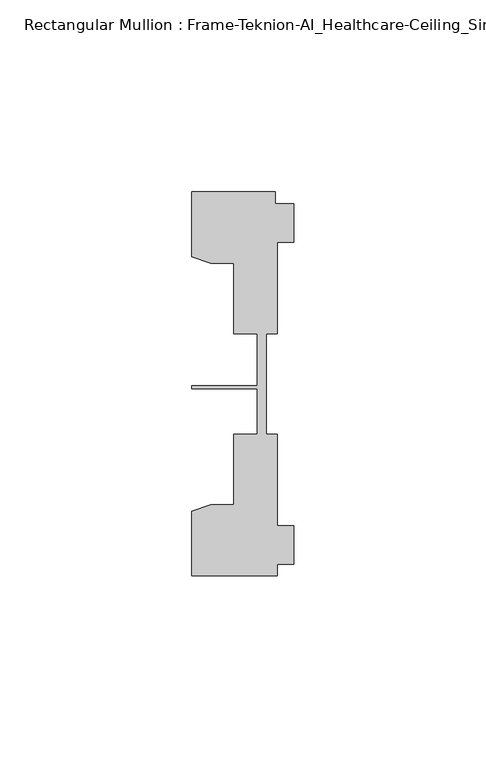
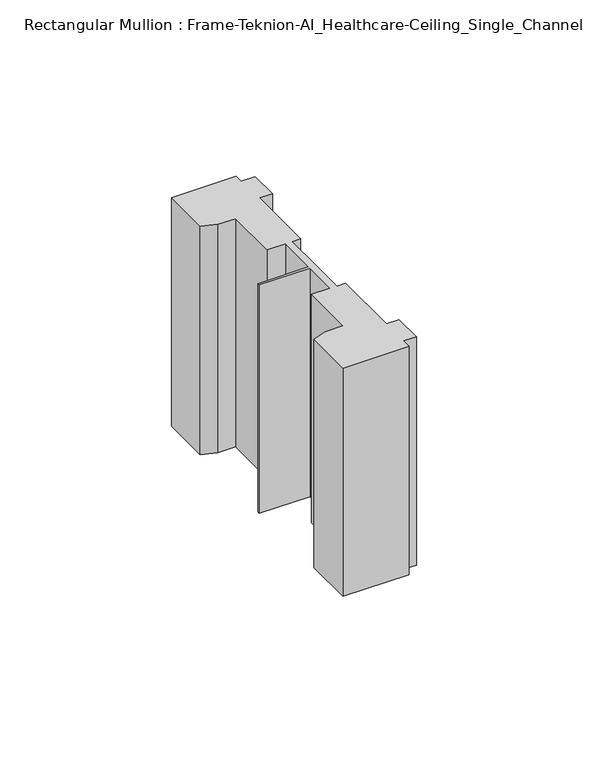
"""IFC4 building model written with IfcOpenShell, lengths in millimetres: member geometry, Rectangular Mullion : Frame-Teknion-AI_Healthcare-Ceiling_Single_Channel."""

from ifc_helpers import new_model, si_unit, frame, origin, place, context, project, spatial, polyline, outline, extrude, source, transform, mapped, element, save


def rectangular_mullion_frame_teknion_ai_healthcare_ceiling_d18603eb(model_context):
    return source(origin(), model_context, "Body", "SweptSolid", [
        extrude(outline(polyline([(-26.4921999, 34.0201677), (-26.4921999, 50.8315128), (-4.7752002, 50.8315128), (-4.7752002, 47.782071), (0.0, 47.782071), (0.0, 37.7820716), (-4.2672007, 37.7820716), (-4.2672007, 13.9110722), (-7.1647766, 13.9110722), (-7.1647766, 0.0814804), (-7.1647766, -12.2509301), (-4.2672007, -12.2509301), (-4.2672007, -36.1219249), (0.0, -36.1219249), (0.0, -46.1219322), (-4.2672007, -46.1219322), (-4.2672007, -49.1699293), (-26.4921999, -49.1699293), (-26.4921999, -32.3600207), (-21.6625199, -30.6279561), (-15.6737764, -30.6279561), (-15.6737764, -12.2509301), (-9.4507761, -12.2509301), (-9.4507761, -0.4036528), (-26.4921999, -0.4036528), (-26.4921999, 0.4036528), (-9.4507761, 0.4036528), (-9.4507761, 13.9110722), (-15.6737764, 13.9110722), (-15.6737764, 32.2880982), (-21.6625199, 32.2880982), (-26.4921999, 34.0201677)])), frame((0.0, 0.0, -81.2686181), z_axis=(0.0, 0.0, 1.0), x_axis=(1.0, 0.0, 0.0)), (0.0, 0.0, 1.0), 81.2686181),
    ])


if __name__ == "__main__":
    model = new_model("IFC4")
    model_context = context("Model", 3, world=origin())
    ifc_project = project(units=[si_unit("LENGTHUNIT", "METRE", prefix="MILLI")], contexts=[model_context])
    site = spatial("IfcSite", under=ifc_project)
    building = spatial("IfcBuilding", under=site)
    placement = place(None, origin())
    rectangular_mullion_frame_teknion_ai_healthcare_ceiling_shape = rectangular_mullion_frame_teknion_ai_healthcare_ceiling_d18603eb(model_context)
    element("IfcMember", 1, ObjectType="Rectangular Mullion : Frame-Teknion-AI_Healthcare-Ceiling_Single_Channel", at=placement, inside=building, context=model_context, shape_type="MappedRepresentation", body=[
        mapped(rectangular_mullion_frame_teknion_ai_healthcare_ceiling_shape, transform((0.0, 0.0, 0.0), x_axis=(1.0, 0.0, 0.0), y_axis=(0.0, 1.0, 0.0), z_axis=(0.0, 0.0, 1.0))),
    ])
    save(model, "model.ifc")
